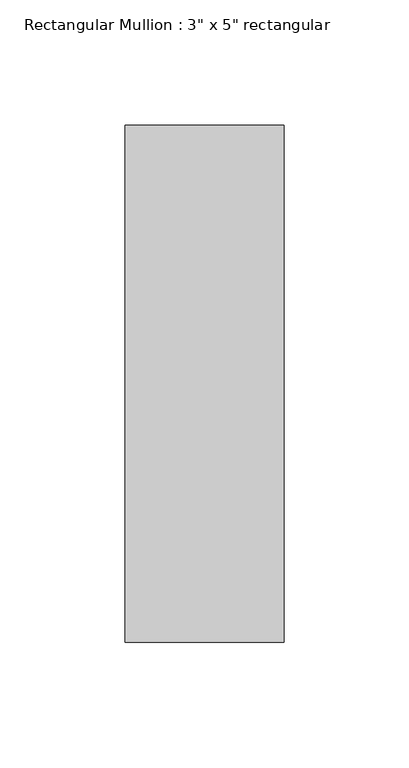
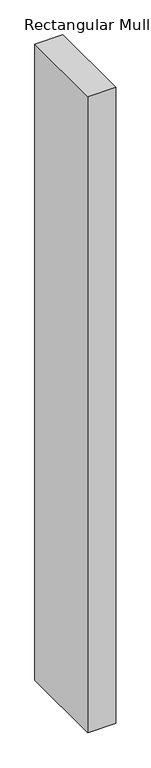
"""IFC4 building model written with IfcOpenShell, lengths in millimetres: member geometry."""

import ifcopenshell
import ifcopenshell.guid

model = None  # the IFC model being written
_history = None  # IfcOwnerHistory: only IFC2X3 demands one
_inside = {}  # id of a spatial element -> (the spatial element, [elements in it])
_under = {}  # id of a project, library or spatial element -> (it, [spatial elements below it])
_declared = {}  # id of a project -> (the project, [libraries it declares])
_typed = {}  # id of a type object -> (the type object, [elements of that type])
_made_of = {}  # id of a material, layer set ... -> (it, [elements and type objects made of it])


def new_model(schema):
    """Start an empty IFC model of exactly this schema.

    Asked for "IFC4X3", IfcOpenShell would pick the latest addendum, in which some entities
    have other attributes; the version numbers below select the first issue.
    IFC2X3 requires an IfcOwnerHistory on every rooted entity: one is made here for all.
    """
    global model, _history
    if schema == "IFC4X3":
        model = ifcopenshell.file(schema_version=(4, 3, 0, 0))
    else:
        model = ifcopenshell.file(schema=schema)
    _inside.clear()
    _under.clear()
    _declared.clear()
    _typed.clear()
    _made_of.clear()
    _history = None
    if model.schema == "IFC2X3":
        org = make("IfcOrganization", Name="unknown")
        user = make(
            "IfcPersonAndOrganization",
            ThePerson=make("IfcPerson", FamilyName="unknown"),
            TheOrganization=org,
        )
        app = make(
            "IfcApplication",
            ApplicationDeveloper=org,
            Version="unknown",
            ApplicationFullName="unknown",
            ApplicationIdentifier="unknown",
        )
        _history = make(
            "IfcOwnerHistory",
            OwningUser=user,
            OwningApplication=app,
            ChangeAction="ADDED",
            CreationDate=0,
        )
    return model


def make(cls, **values):
    """One entity of the class cls with the attributes given. An attribute that is None is left unset."""
    return model.create_entity(
        cls, **{name: value for name, value in values.items() if value is not None}
    )


def rooted(cls, **values):
    """An entity with a GlobalId (a new one), such as an element, a storey or a relation."""
    return make(cls, GlobalId=ifcopenshell.guid.new(), OwnerHistory=_history, **values)


def si_unit(unit_type, name, prefix=None):
    """IfcSIUnit, for example si_unit("LENGTHUNIT", "METRE", prefix="MILLI")."""
    return make("IfcSIUnit", UnitType=unit_type, Prefix=prefix, Name=name)


def assignment(units):
    """IfcUnitAssignment: the units of a project."""
    return None if units is None else make("IfcUnitAssignment", Units=units)


def point(xyz):
    """IfcCartesianPoint."""
    return None if xyz is None else make("IfcCartesianPoint", Coordinates=xyz)


def direction(xyz):
    """IfcDirection."""
    return None if xyz is None else make("IfcDirection", DirectionRatios=xyz)


def frame(location, z_axis=None, x_axis=None):
    """IfcAxis2Placement3D, a coordinate frame: its origin and axes. An axis left out is left unset."""
    return make(
        "IfcAxis2Placement3D",
        Location=point(location),
        Axis=direction(z_axis),
        RefDirection=direction(x_axis),
    )


def origin():
    """The frame at (0, 0, 0) with its axes left unset."""
    return frame((0.0, 0.0, 0.0))


def place(relative_to, where):
    """IfcLocalPlacement: puts the frame where relative to a parent placement (None: the world)."""
    return make(
        "IfcLocalPlacement", PlacementRelTo=relative_to, RelativePlacement=where
    )


def context(
    kind, dimensions, precision=None, world=None, true_north=None, identifier=None
):
    """IfcGeometricRepresentationContext, for example the 3D "Model" context."""
    return make(
        "IfcGeometricRepresentationContext",
        ContextIdentifier=identifier,
        ContextType=kind,
        CoordinateSpaceDimension=dimensions,
        Precision=precision,
        WorldCoordinateSystem=world,
        TrueNorth=true_north,
    )


def project(units=None, contexts=None):
    """IfcProject with its units and contexts."""
    return rooted(
        "IfcProject",
        Name="project",
        RepresentationContexts=contexts,
        UnitsInContext=assignment(units),
    )


def spatial(cls, under=None, at=None, **own):
    """A site, building, storey or space (cls), placed at a placement, below another one or the project."""
    s = rooted(cls, ObjectPlacement=at, **own)
    if under is not None:
        _under.setdefault(under.id(), (under, []))[1].append(s)
    return s


def polyline(points):
    """IfcPolyline through the points."""
    return make("IfcPolyline", Points=[point(p) for p in points])


def outline(outer, holes=None, kind="AREA"):
    """IfcArbitraryClosedProfileDef: a profile drawn as a closed curve; with holes, ...WithVoids."""
    if holes is None:
        return make("IfcArbitraryClosedProfileDef", ProfileType=kind, OuterCurve=outer)
    return make(
        "IfcArbitraryProfileDefWithVoids",
        ProfileType=kind,
        OuterCurve=outer,
        InnerCurves=holes,
    )


def extrude(swept, where, along, depth):
    """IfcExtrudedAreaSolid: the profile swept, set in the frame where, extruded along a direction by depth."""
    return make(
        "IfcExtrudedAreaSolid",
        SweptArea=swept,
        Position=where,
        ExtrudedDirection=direction(along),
        Depth=depth,
    )


def shape(context_of_items, identifier, shape_type, items):
    """IfcShapeRepresentation: the items that make up one representation, for example the "Body"."""
    return make(
        "IfcShapeRepresentation",
        ContextOfItems=context_of_items,
        RepresentationIdentifier=identifier,
        RepresentationType=shape_type,
        Items=items,
    )


def source(mapping_origin, context_of_items, identifier, shape_type, items):
    """IfcRepresentationMap: a shape defined once, which mapped items show again and again."""
    return make(
        "IfcRepresentationMap",
        MappingOrigin=mapping_origin,
        MappedRepresentation=shape(context_of_items, identifier, shape_type, items),
    )


def transform(
    local_origin,
    x_axis=None,
    y_axis=None,
    z_axis=None,
    scale=None,
    scale2=None,
    scale3=None,
    uniform=True,
):
    """IfcCartesianTransformationOperator3D, or its non-uniform kind. x_axis, y_axis, z_axis: its Axis1, 2, 3."""
    if uniform:
        return make(
            "IfcCartesianTransformationOperator3D",
            Axis1=direction(x_axis),
            Axis2=direction(y_axis),
            LocalOrigin=point(local_origin),
            Scale=scale,
            Axis3=direction(z_axis),
        )
    return make(
        "IfcCartesianTransformationOperator3DnonUniform",
        Axis1=direction(x_axis),
        Axis2=direction(y_axis),
        LocalOrigin=point(local_origin),
        Scale=scale,
        Axis3=direction(z_axis),
        Scale2=scale2,
        Scale3=scale3,
    )


def mapped(mapping_source, mapping_target):
    """IfcMappedItem: shows the shape of a source again, moved by a transform."""
    return make(
        "IfcMappedItem", MappingSource=mapping_source, MappingTarget=mapping_target
    )


def made_of(thing, what):
    """Note that an element or type object is made of a material, layer set ...; save() writes the relation."""
    if what is not None:
        _made_of.setdefault(what.id(), (what, []))[1].append(thing)
    return thing


def element(
    cls,
    number,
    at=None,
    inside=None,
    cuts=None,
    type_object=None,
    material=None,
    context=None,
    identifier="Body",
    shape_type=None,
    held_by="IfcProductDefinitionShape",
    body=None,
    shapes=None,
    **own,
):
    """One element of the class cls, such as IfcWall. Its Tag is "e" and its number.

    at: its placement. inside: the storey or other place that contains it. cuts: it is an
    opening in that element (IfcRelVoidsElement). A single representation is given by context,
    identifier, shape_type and body (its items); several are given by shapes. held_by: the class
    of the entity that holds the representations. save() writes the other relations.
    """
    e = rooted(cls, Tag="e%d" % number, ObjectPlacement=at, **own)
    if body is not None:
        shapes = [shape(context, identifier, shape_type, body)]
    if shapes is not None:
        e.Representation = make(held_by, Representations=shapes)
    if inside is not None:
        _inside.setdefault(inside.id(), (inside, []))[1].append(e)
    if cuts is not None:
        rooted(
            "IfcRelVoidsElement", RelatingBuildingElement=cuts, RelatedOpeningElement=e
        )
    if type_object is not None:
        _typed.setdefault(type_object.id(), (type_object, []))[1].append(e)
    return made_of(e, material)


def aggregate(whole, parts):
    """IfcRelAggregates: a whole, such as a stair, and the parts it consists of."""
    return rooted("IfcRelAggregates", RelatingObject=whole, RelatedObjects=parts)


def save(model, path):
    """Write the relations noted so far, then the file.

    IfcRelAggregates (storeys below a building ...), IfcRelContainedInSpatialStructure (elements
    in a storey), IfcRelDefinesByType, IfcRelAssociatesMaterial and IfcRelDeclares: one each for
    every whole, place, type object, material and project.
    """
    for whole, parts in _under.values():
        aggregate(whole, parts)
    for where, things in _inside.values():
        rooted(
            "IfcRelContainedInSpatialStructure",
            RelatedElements=things,
            RelatingStructure=where,
        )
    for kind, things in _typed.values():
        rooted("IfcRelDefinesByType", RelatedObjects=things, RelatingType=kind)
    for what, things in _made_of.values():
        rooted("IfcRelAssociatesMaterial", RelatedObjects=things, RelatingMaterial=what)
    for by, libraries in _declared.values():
        rooted("IfcRelDeclares", RelatingContext=by, RelatedDefinitions=libraries)
    model.write(path)


def member_563deca7(model_context):
    return source(origin(), model_context, "Body", "SweptSolid", [
        extrude(outline(polyline([(31.75, 90.551), (31.75, -115.951), (-31.75, -115.951), (-31.75, 90.551), (31.75, 90.551)])), frame((0.0, 0.0, -1524.0), z_axis=(0.0, 0.0, 1.0), x_axis=(1.0, 0.0, 0.0)), (0.0, 0.0, 1.0), 1524.0),
    ])


if __name__ == "__main__":
    model = new_model("IFC4")
    model_context = context("Model", 3, world=origin())
    ifc_project = project(units=[si_unit("LENGTHUNIT", "METRE", prefix="MILLI")], contexts=[model_context])
    site = spatial("IfcSite", under=ifc_project)
    building = spatial("IfcBuilding", under=site)
    placement = place(None, origin())
    member_shape = member_563deca7(model_context)
    element("IfcMember", 1, ObjectType="Rectangular Mullion : 3\" x 5\" rectangular", at=placement, inside=building, context=model_context, shape_type="MappedRepresentation", body=[
        mapped(member_shape, transform((0.0, 0.0, 0.0), x_axis=(1.0, 0.0, 0.0), y_axis=(0.0, 1.0, 0.0), z_axis=(0.0, 0.0, 1.0))),
    ])
    save(model, "model.ifc")
